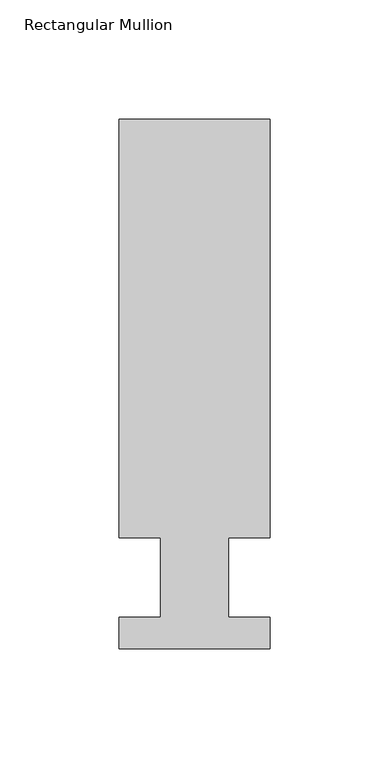
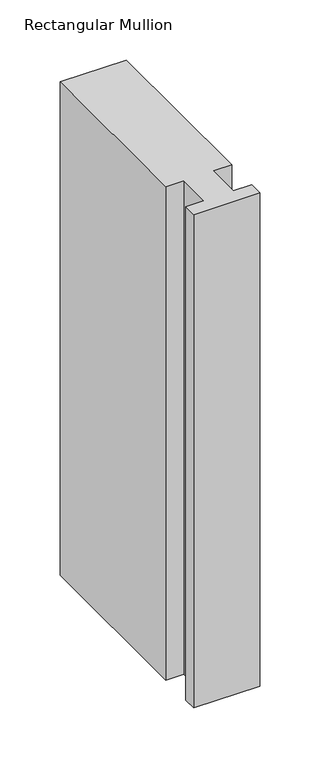
"""IFC4 building model written with IfcOpenShell, lengths in millimetres: member geometry, Rectangular Mullion."""

from ifc_helpers import new_model, si_unit, frame, origin, place, context, project, spatial, polyline, outline, extrude, source, transform, mapped, element, save


def rectangular_mullion_6406070f(model_context):
    return source(origin(), model_context, "Body", "SweptSolid", [
        extrude(outline(polyline([(-63.4999995, 222.5381324), (1e-07, 222.5381321), (-6e-07, 46.7447321), (-17.4625007, 46.7447321), (-17.4625008, 13.3945321), (-3e-07, 13.3945321), (-4e-07, 0.2119321), (-63.5000004, 0.2119323), (-63.5000003, 13.3945323), (-46.0248008, 13.3945322), (-46.0248007, 46.7447322), (-63.5000002, 46.7447323), (-63.4999995, 222.5381324)])), frame((0.0, 0.0, -501.6499998), z_axis=(0.0, 0.0, 1.0), x_axis=(1.0, 0.0, 0.0)), (0.0, 0.0, 1.0), 501.6499998),
    ])


if __name__ == "__main__":
    model = new_model("IFC4")
    model_context = context("Model", 3, world=origin())
    ifc_project = project(units=[si_unit("LENGTHUNIT", "METRE", prefix="MILLI")], contexts=[model_context])
    site = spatial("IfcSite", under=ifc_project)
    building = spatial("IfcBuilding", under=site)
    placement = place(None, origin())
    rectangular_mullion_shape = rectangular_mullion_6406070f(model_context)
    element("IfcMember", 1, ObjectType="Rectangular Mullion", at=placement, inside=building, context=model_context, shape_type="MappedRepresentation", body=[
        mapped(rectangular_mullion_shape, transform((0.0, 0.0, 0.0), x_axis=(1.0, 0.0, 0.0), y_axis=(0.0, 1.0, 0.0), z_axis=(0.0, 0.0, 1.0))),
    ])
    save(model, "model.ifc")
